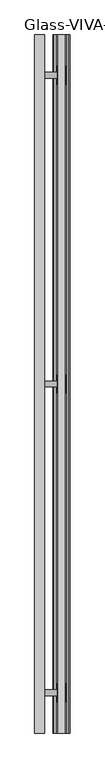
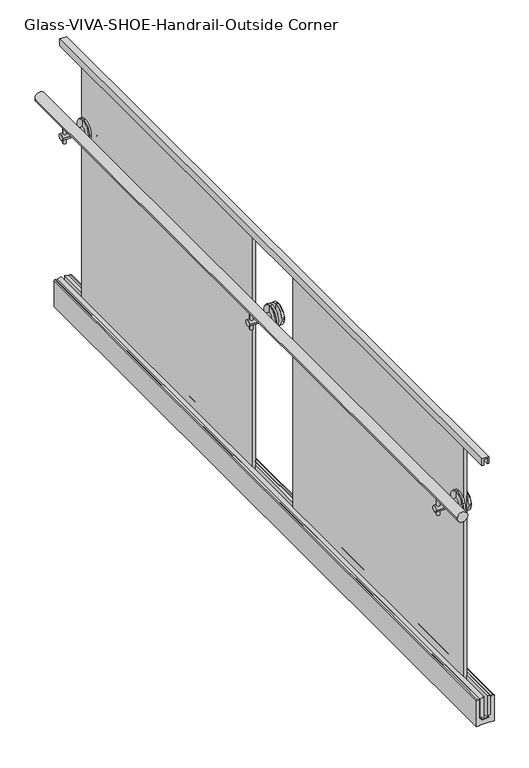
"""IFC4 building model written with IfcOpenShell, lengths in millimetres: railing geometry, Glass-VIVA-SHOE-Handrail-Outside Corner."""

from ifc_helpers import new_model, si_unit, point, frame, frame_2d, origin, place, context, project, spatial, polyline, circle_curve, trimmed, segment, composite_curve, outline, extrude, source, transform, mapped, element, save
from ifc_brep_helpers import plane_surface, cylinder_surface, revolved_surface, advanced_brep


def glass_viva_shoe_handrail_outside_corner_334a0754(model_context):
    return source(origin(), model_context, "Body", "SolidModel", [
        extrude(outline(composite_curve([segment(polyline([(3040.0, -7587.7514824), (3040.0, -7578.2264824), (3041.5875, -7578.2264824), (3041.5875, -7533.7764824), (3040.0, -7533.7764824), (3040.0, -7524.2514824), (3138.425, -7524.2514824)]), True, "CONTINUOUS"), segment(trimmed(circle_curve(frame_2d((3138.425, -7527.4264824)), 3.175), [point((3138.425, -7524.2514824))], [point((3141.6, -7527.4264824))], False, "CARTESIAN"), True, "CONTINUOUS"), segment(polyline([(3141.6, -7527.4264824), (3141.6, -7535.3639824), (3138.425, -7535.3639824)]), True, "CONTINUOUS"), segment(trimmed(circle_curve(frame_2d((3136.8375, -7535.3639824)), 1.5875), [point((3138.425, -7535.3639824))], [point((3135.25, -7535.3639824))], True, "CARTESIAN"), True, "CONTINUOUS"), segment(polyline([(3135.25, -7535.3639824), (3068.575, -7535.3639824), (3068.575, -7543.3014824), (3062.225, -7543.3014824)]), True, "CONTINUOUS"), segment(trimmed(circle_curve(frame_2d((3062.225, -7546.4764824)), 3.175), [point((3062.225, -7543.3014824))], [point((3059.05, -7546.4764824))], True, "CARTESIAN"), True, "CONTINUOUS"), segment(polyline([(3059.05, -7546.4764824), (3059.05, -7565.5264824)]), True, "CONTINUOUS"), segment(trimmed(circle_curve(frame_2d((3062.225, -7565.5264824)), 3.175), [point((3059.05, -7565.5264824))], [point((3062.225, -7568.7014824))], True, "CARTESIAN"), True, "CONTINUOUS"), segment(polyline([(3062.225, -7568.7014824), (3068.575, -7568.7014824), (3068.575, -7576.6389824), (3135.25, -7576.6389824)]), True, "CONTINUOUS"), segment(trimmed(circle_curve(frame_2d((3136.8375, -7576.6389824)), 1.5875), [point((3135.25, -7576.6389824))], [point((3138.425, -7576.6389824))], True, "CARTESIAN"), True, "CONTINUOUS"), segment(polyline([(3138.425, -7576.6389824), (3141.6, -7576.6389824), (3141.6, -7584.5764824)]), True, "CONTINUOUS"), segment(trimmed(circle_curve(frame_2d((3138.425, -7584.5764824)), 3.175), [point((3141.6, -7584.5764824))], [point((3138.425, -7587.7514824))], False, "CARTESIAN"), True, "CONTINUOUS"), segment(polyline([(3138.425, -7587.7514824), (3040.0, -7587.7514824)]), True, "CONTINUOUS")], self_intersect=False)), frame((0.0, 2861.924143, 0.0), z_axis=(0.0, 1.0, 0.0), x_axis=(0.0, 0.0, 1.0)), (0.0, 0.0, 1.0), 2645.4),
        extrude(outline(composite_curve([segment(polyline([(3068.575, -7535.3639824), (3135.25, -7535.3639824)]), True, "CONTINUOUS"), segment(trimmed(circle_curve(frame_2d((3136.8375, -7535.3639824)), 1.5875), [point((3135.25, -7535.3639824))], [point((3138.425, -7535.3639824))], False, "CARTESIAN"), True, "CONTINUOUS"), segment(polyline([(3138.425, -7535.3639824), (3141.6, -7535.3639824), (3144.775, -7549.6514824), (3062.225, -7549.6514824), (3062.225, -7562.3514824), (3144.775, -7562.3514824), (3141.6, -7576.6389824), (3138.425, -7576.6389824)]), True, "CONTINUOUS"), segment(trimmed(circle_curve(frame_2d((3136.8375, -7576.6389824)), 1.5875), [point((3138.425, -7576.6389824))], [point((3135.25, -7576.6389824))], False, "CARTESIAN"), True, "CONTINUOUS"), segment(polyline([(3135.25, -7576.6389824), (3068.575, -7576.6389824), (3068.575, -7568.7014824), (3059.05, -7568.7014824), (3059.05, -7543.3014824), (3068.575, -7543.3014824), (3068.575, -7535.3639824)]), True, "CONTINUOUS")], self_intersect=False)), frame((0.0, 2861.924143, 0.0), z_axis=(0.0, 1.0, 0.0), x_axis=(0.0, 0.0, 1.0)), (0.0, 0.0, 1.0), 2645.4),
        extrude(outline(composite_curve([segment(trimmed(circle_curve(frame_2d((3859.15, -7638.5514824)), 19.05), [point((3859.15, -7657.6014824))], [point((3859.15, -7619.5014824))], False, "CARTESIAN"), True, "CONTINUOUS"), segment(trimmed(circle_curve(frame_2d((3859.15, -7638.5514824)), 19.05), [point((3859.15, -7619.5014824))], [point((3859.15, -7657.6014824))], False, "CARTESIAN"), True, "CONTINUOUS")], self_intersect=False)), frame((0.0, 2861.924143, 0.0), z_axis=(0.0, 1.0, 0.0), x_axis=(0.0, 0.0, 1.0)), (0.0, 0.0, 1.0), 2645.4),
        extrude(outline(polyline([(4056.0, -7568.7014824), (4030.6, -7568.7014824), (4030.6, -7562.3514824), (4051.2375, -7562.3514824), (4051.2375, -7549.6514824), (4030.6, -7549.6514824), (4030.6, -7543.3014824), (4056.0, -7543.3014824), (4056.0, -7568.7014824)])), frame((0.0, 2861.924143, 0.0), z_axis=(0.0, 1.0, 0.0), x_axis=(0.0, 0.0, 1.0)), (0.0, 0.0, 1.0), 2645.4),
        extrude(outline(polyline([(-7562.3514824, 4312.574143), (-7562.3514824, 5379.374143), (-7549.6514824, 5379.374143), (-7549.6514824, 4312.574143), (-7562.3514824, 4312.574143)])), frame((0.0, 0.0, 3062.225), z_axis=(0.0, 0.0, 1.0), x_axis=(1.0, 0.0, 0.0)), (0.0, 0.0, 1.0), 989.0125),
        extrude(outline(composite_curve([segment(trimmed(circle_curve(frame_2d((-7638.5514824, 4184.624143)), 5.953125), [point((-7632.5983574, 4184.624143))], [point((-7644.5046074, 4184.624143))], False, "CARTESIAN"), True, "CONTINUOUS"), segment(trimmed(circle_curve(frame_2d((-7638.5514824, 4184.624143)), 5.953125), [point((-7644.5046074, 4184.624143))], [point((-7632.5983574, 4184.624143))], False, "CARTESIAN"), True, "CONTINUOUS")], self_intersect=False)), frame((0.0, 0.0, 3776.6), z_axis=(0.0, 0.0, 1.0), x_axis=(1.0, 0.0, 0.0)), (0.0, 0.0, 1.0), 76.2),
        extrude(outline(composite_curve([segment(trimmed(circle_curve(frame_2d((4184.624143, 3802.0)), 11.0132813), [point((4195.6374243, 3802.0))], [point((4173.6108618, 3802.0))], False, "CARTESIAN"), True, "CONTINUOUS"), segment(trimmed(circle_curve(frame_2d((4184.624143, 3802.0)), 11.0132813), [point((4173.6108618, 3802.0))], [point((4195.6374243, 3802.0))], False, "CARTESIAN"), True, "CONTINUOUS")], self_intersect=False)), frame((-7651.2514824, 0.0, 0.0), z_axis=(1.0, 0.0, 0.0), x_axis=(0.0, 1.0, 0.0)), (0.0, 0.0, 1.0), 79.2757812),
        advanced_brep(
        [(-7540.0272636, 4184.624143, 3802.0), (-7540.0272636, 4184.624143, 3838.115625), (-7540.0272636, 4184.624143, 3765.884375), (-7571.9757011, 4184.624143, 3765.884375), (-7571.9757011, 4184.624143, 3838.115625), (-7571.9757011, 4184.624143, 3802.0), (-7569.9913261, 4184.624143, 3763.9), (-7569.9913261, 4184.624143, 3840.1), (-7562.3514824, 4184.624143, 3763.9), (-7562.3514824, 4184.624143, 3840.1), (-7562.3514824, 4184.624143, 3789.3), (-7562.3514824, 4184.624143, 3814.7), (-7549.6514824, 4184.624143, 3789.3), (-7549.6514824, 4184.624143, 3814.7), (-7549.6514824, 4184.624143, 3763.9), (-7549.6514824, 4184.624143, 3840.1), (-7542.0116386, 4184.624143, 3763.9), (-7542.0116386, 4184.624143, 3840.1)],
        [
            (0, 1),
            (1, 2, circle_curve(frame((-7540.0272636, 4184.624143, 3802.0), z_axis=(1.0, 0.0, 0.0), x_axis=(0.0, 0.0, 1.0)), 36.115625)),
            (2, 0),
            (2, 1, circle_curve(frame((-7540.0272636, 4184.624143, 3802.0), z_axis=(1.0, 0.0, 0.0), x_axis=(0.0, 0.0, 1.0)), 36.115625)),
            (3, 4, circle_curve(frame((-7571.9757011, 4184.624143, 3802.0), z_axis=(-1.0, 0.0, 0.0), x_axis=(0.0, 0.0, 1.0)), 36.115625)),
            (4, 5),
            (5, 3),
            (4, 3, circle_curve(frame((-7571.9757011, 4184.624143, 3802.0), z_axis=(-1.0, 0.0, 0.0), x_axis=(0.0, 0.0, 1.0)), 36.115625)),
            (6, 7, circle_curve(frame((-7569.9913261, 4184.624143, 3802.0), z_axis=(-1.0, 0.0, 0.0), x_axis=(0.0, 0.0, 1.0)), 38.1)),
            (7, 4),
            (3, 6),
            (7, 6, circle_curve(frame((-7569.9913261, 4184.624143, 3802.0), z_axis=(-1.0, 0.0, 0.0), x_axis=(0.0, 0.0, 1.0)), 38.1)),
            (8, 9, circle_curve(frame((-7562.3514824, 4184.624143, 3802.0), z_axis=(-1.0, 0.0, 0.0), x_axis=(0.0, 0.0, 1.0)), 38.1)),
            (9, 7),
            (6, 8),
            (9, 8, circle_curve(frame((-7562.3514824, 4184.624143, 3802.0), z_axis=(-1.0, 0.0, 0.0), x_axis=(0.0, 0.0, 1.0)), 38.1)),
            (10, 11, circle_curve(frame((-7562.3514824, 4184.624143, 3802.0), z_axis=(-1.0, 0.0, 0.0), x_axis=(0.0, 0.0, 1.0)), 12.7)),
            (11, 9),
            (8, 10),
            (11, 10, circle_curve(frame((-7562.3514824, 4184.624143, 3802.0), z_axis=(-1.0, 0.0, 0.0), x_axis=(0.0, 0.0, 1.0)), 12.7)),
            (12, 13, circle_curve(frame((-7549.6514824, 4184.624143, 3802.0), z_axis=(-1.0, 0.0, 0.0), x_axis=(0.0, 0.0, 1.0)), 12.7)),
            (13, 11),
            (10, 12),
            (13, 12, circle_curve(frame((-7549.6514824, 4184.624143, 3802.0), z_axis=(-1.0, 0.0, 0.0), x_axis=(0.0, 0.0, 1.0)), 12.7)),
            (14, 15, circle_curve(frame((-7549.6514824, 4184.624143, 3802.0), z_axis=(-1.0, 0.0, 0.0), x_axis=(0.0, 0.0, 1.0)), 38.1)),
            (15, 13),
            (12, 14),
            (15, 14, circle_curve(frame((-7549.6514824, 4184.624143, 3802.0), z_axis=(-1.0, 0.0, 0.0), x_axis=(0.0, 0.0, 1.0)), 38.1)),
            (16, 17, circle_curve(frame((-7542.0116386, 4184.624143, 3802.0), z_axis=(-1.0, 0.0, 0.0), x_axis=(0.0, 0.0, 1.0)), 38.1)),
            (17, 15),
            (14, 16),
            (17, 16, circle_curve(frame((-7542.0116386, 4184.624143, 3802.0), z_axis=(-1.0, 0.0, 0.0), x_axis=(0.0, 0.0, 1.0)), 38.1)),
            (1, 17),
            (16, 2),
        ],
        [
            plane_surface(frame((-7540.0272636, 4184.624143, 3802.0), z_axis=(1.0, 0.0, 0.0), x_axis=(0.0, 0.0, 1.0))),
            plane_surface(frame((-7571.9757011, 4184.624143, 3802.0), z_axis=(-1.0, 0.0, 0.0), x_axis=(0.0, 0.0, 1.0))),
            revolved_surface(polyline([(-7571.9757011, 4184.624143, 3838.115625), (-7569.9913261, 4184.624143, 3840.1)]), (-7503.9116386, 4184.624143, 3802.0), (1.0, 0.0, 0.0)),
            cylinder_surface(frame((-7503.9116386, 4184.624143, 3802.0), z_axis=(1.0, 0.0, 0.0), x_axis=(0.0, 0.0, 1.0)), 38.1),
            plane_surface(frame((-7562.3514824, 4184.624143, 3802.0), z_axis=(1.0, 0.0, 0.0), x_axis=(0.0, 0.0, 1.0))),
            cylinder_surface(frame((-7503.9116386, 4184.624143, 3802.0), z_axis=(1.0, 0.0, 0.0), x_axis=(0.0, 0.0, 1.0)), 12.7),
            plane_surface(frame((-7549.6514824, 4184.624143, 3802.0), z_axis=(-1.0, 0.0, 0.0), x_axis=(0.0, 0.0, 1.0))),
            revolved_surface(polyline([(-7542.0116386, 4184.624143, 3840.1), (-7540.0272636, 4184.624143, 3838.115625)]), (-7503.9116386, 4184.624143, 3802.0), (1.0, 0.0, 0.0)),
        ],
        [
            (0, [[1, 2, 3]]),
            (0, [[-3, 4, -1]]),
            (1, [[5, 6, 7]]),
            (1, [[8, -7, -6]]),
            (2, [[9, 10, -5, 11]]),
            (2, [[12, -11, -8, -10]]),
            (3, [[13, 14, -9, 15]]),
            (3, [[16, -15, -12, -14]]),
            (4, [[17, 18, -13, 19]]),
            (4, [[20, -19, -16, -18]]),
            (5, [[21, 22, -17, 23]]),
            (5, [[24, -23, -20, -22]]),
            (6, [[25, 26, -21, 27]]),
            (6, [[28, -27, -24, -26]]),
            (3, [[29, 30, -25, 31]]),
            (3, [[32, -31, -28, -30]]),
            (7, [[-2, 33, -29, 34]]),
            (7, [[-4, -34, -32, -33]]),
        ],
    ),
        extrude(outline(polyline([(-7562.3514824, 2989.874143), (-7562.3514824, 4056.674143), (-7549.6514824, 4056.674143), (-7549.6514824, 2989.874143), (-7562.3514824, 2989.874143)])), frame((0.0, 0.0, 3062.225), z_axis=(0.0, 0.0, 1.0), x_axis=(1.0, 0.0, 0.0)), (0.0, 0.0, 1.0), 989.0125),
        extrude(outline(composite_curve([segment(trimmed(circle_curve(frame_2d((-7638.5514824, 5354.924143)), 5.953125), [point((-7632.5983574, 5354.924143))], [point((-7644.5046074, 5354.924143))], False, "CARTESIAN"), True, "CONTINUOUS"), segment(trimmed(circle_curve(frame_2d((-7638.5514824, 5354.924143)), 5.953125), [point((-7644.5046074, 5354.924143))], [point((-7632.5983574, 5354.924143))], False, "CARTESIAN"), True, "CONTINUOUS")], self_intersect=False)), frame((0.0, 0.0, 3776.6), z_axis=(0.0, 0.0, 1.0), x_axis=(1.0, 0.0, 0.0)), (0.0, 0.0, 1.0), 76.2),
        extrude(outline(composite_curve([segment(trimmed(circle_curve(frame_2d((5354.924143, 3802.0)), 11.0132813), [point((5365.9374243, 3802.0))], [point((5343.9108618, 3802.0))], False, "CARTESIAN"), True, "CONTINUOUS"), segment(trimmed(circle_curve(frame_2d((5354.924143, 3802.0)), 11.0132813), [point((5343.9108618, 3802.0))], [point((5365.9374243, 3802.0))], False, "CARTESIAN"), True, "CONTINUOUS")], self_intersect=False)), frame((-7651.2514824, 0.0, 0.0), z_axis=(1.0, 0.0, 0.0), x_axis=(0.0, 1.0, 0.0)), (0.0, 0.0, 1.0), 79.2757812),
        advanced_brep(
        [(-7540.0272636, 5354.924143, 3802.0), (-7540.0272636, 5354.924143, 3838.115625), (-7540.0272636, 5354.924143, 3765.884375), (-7571.9757011, 5354.924143, 3765.884375), (-7571.9757011, 5354.924143, 3838.115625), (-7571.9757011, 5354.924143, 3802.0), (-7569.9913261, 5354.924143, 3763.9), (-7569.9913261, 5354.924143, 3840.1), (-7562.3514824, 5354.924143, 3763.9), (-7562.3514824, 5354.924143, 3840.1), (-7562.3514824, 5354.924143, 3789.3), (-7562.3514824, 5354.924143, 3814.7), (-7549.6514824, 5354.924143, 3789.3), (-7549.6514824, 5354.924143, 3814.7), (-7549.6514824, 5354.924143, 3763.9), (-7549.6514824, 5354.924143, 3840.1), (-7542.0116386, 5354.924143, 3763.9), (-7542.0116386, 5354.924143, 3840.1)],
        [
            (0, 1),
            (1, 2, circle_curve(frame((-7540.0272636, 5354.924143, 3802.0), z_axis=(1.0, 0.0, 0.0), x_axis=(0.0, 0.0, 1.0)), 36.115625)),
            (2, 0),
            (2, 1, circle_curve(frame((-7540.0272636, 5354.924143, 3802.0), z_axis=(1.0, 0.0, 0.0), x_axis=(0.0, 0.0, 1.0)), 36.115625)),
            (3, 4, circle_curve(frame((-7571.9757011, 5354.924143, 3802.0), z_axis=(-1.0, 0.0, 0.0), x_axis=(0.0, 0.0, 1.0)), 36.115625)),
            (4, 5),
            (5, 3),
            (4, 3, circle_curve(frame((-7571.9757011, 5354.924143, 3802.0), z_axis=(-1.0, 0.0, 0.0), x_axis=(0.0, 0.0, 1.0)), 36.115625)),
            (6, 7, circle_curve(frame((-7569.9913261, 5354.924143, 3802.0), z_axis=(-1.0, 0.0, 0.0), x_axis=(0.0, 0.0, 1.0)), 38.1)),
            (7, 4),
            (3, 6),
            (7, 6, circle_curve(frame((-7569.9913261, 5354.924143, 3802.0), z_axis=(-1.0, 0.0, 0.0), x_axis=(0.0, 0.0, 1.0)), 38.1)),
            (8, 9, circle_curve(frame((-7562.3514824, 5354.924143, 3802.0), z_axis=(-1.0, 0.0, 0.0), x_axis=(0.0, 0.0, 1.0)), 38.1)),
            (9, 7),
            (6, 8),
            (9, 8, circle_curve(frame((-7562.3514824, 5354.924143, 3802.0), z_axis=(-1.0, 0.0, 0.0), x_axis=(0.0, 0.0, 1.0)), 38.1)),
            (10, 11, circle_curve(frame((-7562.3514824, 5354.924143, 3802.0), z_axis=(-1.0, 0.0, 0.0), x_axis=(0.0, 0.0, 1.0)), 12.7)),
            (11, 9),
            (8, 10),
            (11, 10, circle_curve(frame((-7562.3514824, 5354.924143, 3802.0), z_axis=(-1.0, 0.0, 0.0), x_axis=(0.0, 0.0, 1.0)), 12.7)),
            (12, 13, circle_curve(frame((-7549.6514824, 5354.924143, 3802.0), z_axis=(-1.0, 0.0, 0.0), x_axis=(0.0, 0.0, 1.0)), 12.7)),
            (13, 11),
            (10, 12),
            (13, 12, circle_curve(frame((-7549.6514824, 5354.924143, 3802.0), z_axis=(-1.0, 0.0, 0.0), x_axis=(0.0, 0.0, 1.0)), 12.7)),
            (14, 15, circle_curve(frame((-7549.6514824, 5354.924143, 3802.0), z_axis=(-1.0, 0.0, 0.0), x_axis=(0.0, 0.0, 1.0)), 38.1)),
            (15, 13),
            (12, 14),
            (15, 14, circle_curve(frame((-7549.6514824, 5354.924143, 3802.0), z_axis=(-1.0, 0.0, 0.0), x_axis=(0.0, 0.0, 1.0)), 38.1)),
            (16, 17, circle_curve(frame((-7542.0116386, 5354.924143, 3802.0), z_axis=(-1.0, 0.0, 0.0), x_axis=(0.0, 0.0, 1.0)), 38.1)),
            (17, 15),
            (14, 16),
            (17, 16, circle_curve(frame((-7542.0116386, 5354.924143, 3802.0), z_axis=(-1.0, 0.0, 0.0), x_axis=(0.0, 0.0, 1.0)), 38.1)),
            (1, 17),
            (16, 2),
        ],
        [
            plane_surface(frame((-7540.0272636, 5354.924143, 3802.0), z_axis=(1.0, 0.0, 0.0), x_axis=(0.0, 0.0, 1.0))),
            plane_surface(frame((-7571.9757011, 5354.924143, 3802.0), z_axis=(-1.0, 0.0, 0.0), x_axis=(0.0, 0.0, 1.0))),
            revolved_surface(polyline([(-7571.9757011, 5354.924143, 3838.115625), (-7569.9913261, 5354.924143, 3840.1)]), (-7503.9116386, 5354.924143, 3802.0), (1.0, 0.0, 0.0)),
            cylinder_surface(frame((-7503.9116386, 5354.924143, 3802.0), z_axis=(1.0, 0.0, 0.0), x_axis=(0.0, 0.0, 1.0)), 38.1),
            plane_surface(frame((-7562.3514824, 5354.924143, 3802.0), z_axis=(1.0, 0.0, 0.0), x_axis=(0.0, 0.0, 1.0))),
            cylinder_surface(frame((-7503.9116386, 5354.924143, 3802.0), z_axis=(1.0, 0.0, 0.0), x_axis=(0.0, 0.0, 1.0)), 12.7),
            plane_surface(frame((-7549.6514824, 5354.924143, 3802.0), z_axis=(-1.0, 0.0, 0.0), x_axis=(0.0, 0.0, 1.0))),
            revolved_surface(polyline([(-7542.0116386, 5354.924143, 3840.1), (-7540.0272636, 5354.924143, 3838.115625)]), (-7503.9116386, 5354.924143, 3802.0), (1.0, 0.0, 0.0)),
        ],
        [
            (0, [[1, 2, 3]]),
            (0, [[-3, 4, -1]]),
            (1, [[5, 6, 7]]),
            (1, [[8, -7, -6]]),
            (2, [[9, 10, -5, 11]]),
            (2, [[12, -11, -8, -10]]),
            (3, [[13, 14, -9, 15]]),
            (3, [[16, -15, -12, -14]]),
            (4, [[17, 18, -13, 19]]),
            (4, [[20, -19, -16, -18]]),
            (5, [[21, 22, -17, 23]]),
            (5, [[24, -23, -20, -22]]),
            (6, [[25, 26, -21, 27]]),
            (6, [[28, -27, -24, -26]]),
            (3, [[29, 30, -25, 31]]),
            (3, [[32, -31, -28, -30]]),
            (7, [[-2, 33, -29, 34]]),
            (7, [[-4, -34, -32, -33]]),
        ],
    ),
        extrude(outline(composite_curve([segment(trimmed(circle_curve(frame_2d((-7638.5514824, 3014.324143)), 5.953125), [point((-7632.5983574, 3014.324143))], [point((-7644.5046074, 3014.324143))], False, "CARTESIAN"), True, "CONTINUOUS"), segment(trimmed(circle_curve(frame_2d((-7638.5514824, 3014.324143)), 5.953125), [point((-7644.5046074, 3014.324143))], [point((-7632.5983574, 3014.324143))], False, "CARTESIAN"), True, "CONTINUOUS")], self_intersect=False)), frame((0.0, 0.0, 3776.6), z_axis=(0.0, 0.0, 1.0), x_axis=(1.0, 0.0, 0.0)), (0.0, 0.0, 1.0), 76.2),
        extrude(outline(composite_curve([segment(trimmed(circle_curve(frame_2d((3014.324143, 3802.0)), 11.0132813), [point((3025.3374243, 3802.0))], [point((3003.3108618, 3802.0))], False, "CARTESIAN"), True, "CONTINUOUS"), segment(trimmed(circle_curve(frame_2d((3014.324143, 3802.0)), 11.0132813), [point((3003.3108618, 3802.0))], [point((3025.3374243, 3802.0))], False, "CARTESIAN"), True, "CONTINUOUS")], self_intersect=False)), frame((-7651.2514824, 0.0, 0.0), z_axis=(1.0, 0.0, 0.0), x_axis=(0.0, 1.0, 0.0)), (0.0, 0.0, 1.0), 79.2757812),
        advanced_brep(
        [(-7540.0272636, 3014.324143, 3802.0), (-7540.0272636, 3014.324143, 3838.115625), (-7540.0272636, 3014.324143, 3765.884375), (-7571.9757011, 3014.324143, 3765.884375), (-7571.9757011, 3014.324143, 3838.115625), (-7571.9757011, 3014.324143, 3802.0), (-7569.9913261, 3014.324143, 3763.9), (-7569.9913261, 3014.324143, 3840.1), (-7562.3514824, 3014.324143, 3763.9), (-7562.3514824, 3014.324143, 3840.1), (-7562.3514824, 3014.324143, 3789.3), (-7562.3514824, 3014.324143, 3814.7), (-7549.6514824, 3014.324143, 3789.3), (-7549.6514824, 3014.324143, 3814.7), (-7549.6514824, 3014.324143, 3763.9), (-7549.6514824, 3014.324143, 3840.1), (-7542.0116386, 3014.324143, 3763.9), (-7542.0116386, 3014.324143, 3840.1)],
        [
            (0, 1),
            (1, 2, circle_curve(frame((-7540.0272636, 3014.324143, 3802.0), z_axis=(1.0, 0.0, 0.0), x_axis=(0.0, 0.0, 1.0)), 36.115625)),
            (2, 0),
            (2, 1, circle_curve(frame((-7540.0272636, 3014.324143, 3802.0), z_axis=(1.0, 0.0, 0.0), x_axis=(0.0, 0.0, 1.0)), 36.115625)),
            (3, 4, circle_curve(frame((-7571.9757011, 3014.324143, 3802.0), z_axis=(-1.0, 0.0, 0.0), x_axis=(0.0, 0.0, 1.0)), 36.115625)),
            (4, 5),
            (5, 3),
            (4, 3, circle_curve(frame((-7571.9757011, 3014.324143, 3802.0), z_axis=(-1.0, 0.0, 0.0), x_axis=(0.0, 0.0, 1.0)), 36.115625)),
            (6, 7, circle_curve(frame((-7569.9913261, 3014.324143, 3802.0), z_axis=(-1.0, 0.0, 0.0), x_axis=(0.0, 0.0, 1.0)), 38.1)),
            (7, 4),
            (3, 6),
            (7, 6, circle_curve(frame((-7569.9913261, 3014.324143, 3802.0), z_axis=(-1.0, 0.0, 0.0), x_axis=(0.0, 0.0, 1.0)), 38.1)),
            (8, 9, circle_curve(frame((-7562.3514824, 3014.324143, 3802.0), z_axis=(-1.0, 0.0, 0.0), x_axis=(0.0, 0.0, 1.0)), 38.1)),
            (9, 7),
            (6, 8),
            (9, 8, circle_curve(frame((-7562.3514824, 3014.324143, 3802.0), z_axis=(-1.0, 0.0, 0.0), x_axis=(0.0, 0.0, 1.0)), 38.1)),
            (10, 11, circle_curve(frame((-7562.3514824, 3014.324143, 3802.0), z_axis=(-1.0, 0.0, 0.0), x_axis=(0.0, 0.0, 1.0)), 12.7)),
            (11, 9),
            (8, 10),
            (11, 10, circle_curve(frame((-7562.3514824, 3014.324143, 3802.0), z_axis=(-1.0, 0.0, 0.0), x_axis=(0.0, 0.0, 1.0)), 12.7)),
            (12, 13, circle_curve(frame((-7549.6514824, 3014.324143, 3802.0), z_axis=(-1.0, 0.0, 0.0), x_axis=(0.0, 0.0, 1.0)), 12.7)),
            (13, 11),
            (10, 12),
            (13, 12, circle_curve(frame((-7549.6514824, 3014.324143, 3802.0), z_axis=(-1.0, 0.0, 0.0), x_axis=(0.0, 0.0, 1.0)), 12.7)),
            (14, 15, circle_curve(frame((-7549.6514824, 3014.324143, 3802.0), z_axis=(-1.0, 0.0, 0.0), x_axis=(0.0, 0.0, 1.0)), 38.1)),
            (15, 13),
            (12, 14),
            (15, 14, circle_curve(frame((-7549.6514824, 3014.324143, 3802.0), z_axis=(-1.0, 0.0, 0.0), x_axis=(0.0, 0.0, 1.0)), 38.1)),
            (16, 17, circle_curve(frame((-7542.0116386, 3014.324143, 3802.0), z_axis=(-1.0, 0.0, 0.0), x_axis=(0.0, 0.0, 1.0)), 38.1)),
            (17, 15),
            (14, 16),
            (17, 16, circle_curve(frame((-7542.0116386, 3014.324143, 3802.0), z_axis=(-1.0, 0.0, 0.0), x_axis=(0.0, 0.0, 1.0)), 38.1)),
            (1, 17),
            (16, 2),
        ],
        [
            plane_surface(frame((-7540.0272636, 3014.324143, 3802.0), z_axis=(1.0, 0.0, 0.0), x_axis=(0.0, 0.0, 1.0))),
            plane_surface(frame((-7571.9757011, 3014.324143, 3802.0), z_axis=(-1.0, 0.0, 0.0), x_axis=(0.0, 0.0, 1.0))),
            revolved_surface(polyline([(-7571.9757011, 3014.324143, 3838.115625), (-7569.9913261, 3014.324143, 3840.1)]), (-7503.9116386, 3014.324143, 3802.0), (1.0, 0.0, 0.0)),
            cylinder_surface(frame((-7503.9116386, 3014.324143, 3802.0), z_axis=(1.0, 0.0, 0.0), x_axis=(0.0, 0.0, 1.0)), 38.1),
            plane_surface(frame((-7562.3514824, 3014.324143, 3802.0), z_axis=(1.0, 0.0, 0.0), x_axis=(0.0, 0.0, 1.0))),
            cylinder_surface(frame((-7503.9116386, 3014.324143, 3802.0), z_axis=(1.0, 0.0, 0.0), x_axis=(0.0, 0.0, 1.0)), 12.7),
            plane_surface(frame((-7549.6514824, 3014.324143, 3802.0), z_axis=(-1.0, 0.0, 0.0), x_axis=(0.0, 0.0, 1.0))),
            revolved_surface(polyline([(-7542.0116386, 3014.324143, 3840.1), (-7540.0272636, 3014.324143, 3838.115625)]), (-7503.9116386, 3014.324143, 3802.0), (1.0, 0.0, 0.0)),
        ],
        [
            (0, [[1, 2, 3]]),
            (0, [[-3, 4, -1]]),
            (1, [[5, 6, 7]]),
            (1, [[8, -7, -6]]),
            (2, [[9, 10, -5, 11]]),
            (2, [[12, -11, -8, -10]]),
            (3, [[13, 14, -9, 15]]),
            (3, [[16, -15, -12, -14]]),
            (4, [[17, 18, -13, 19]]),
            (4, [[20, -19, -16, -18]]),
            (5, [[21, 22, -17, 23]]),
            (5, [[24, -23, -20, -22]]),
            (6, [[25, 26, -21, 27]]),
            (6, [[28, -27, -24, -26]]),
            (3, [[29, 30, -25, 31]]),
            (3, [[32, -31, -28, -30]]),
            (7, [[-2, 33, -29, 34]]),
            (7, [[-4, -34, -32, -33]]),
        ],
    ),
    ])


if __name__ == "__main__":
    model = new_model("IFC4")
    model_context = context("Model", 3, world=origin())
    ifc_project = project(units=[si_unit("LENGTHUNIT", "METRE", prefix="MILLI")], contexts=[model_context])
    site = spatial("IfcSite", under=ifc_project)
    building = spatial("IfcBuilding", under=site)
    placement = place(None, origin())
    glass_viva_shoe_handrail_outside_corner_shape = glass_viva_shoe_handrail_outside_corner_334a0754(model_context)
    element("IfcRailing", 1, ObjectType="Glass-VIVA-SHOE-Handrail-Outside Corner", at=placement, inside=building, context=model_context, shape_type="MappedRepresentation", body=[
        mapped(glass_viva_shoe_handrail_outside_corner_shape, transform((0.0, 0.0, 0.0), x_axis=(1.0, 0.0, 0.0), y_axis=(0.0, 1.0, 0.0), z_axis=(0.0, 0.0, 1.0))),
    ])
    save(model, "model.ifc")
